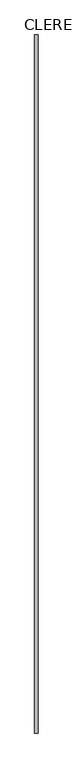
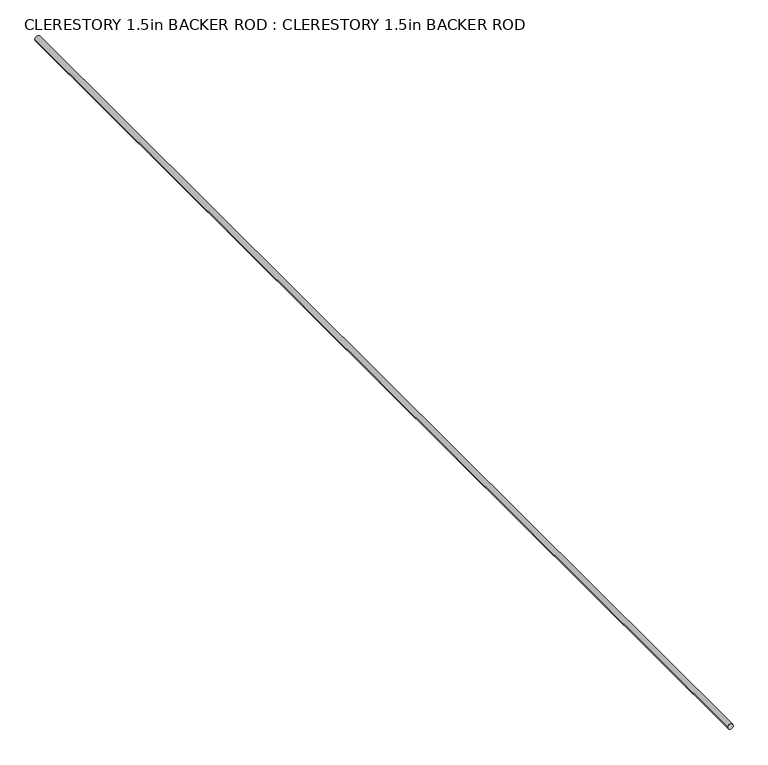
"""IFC4 building model written with IfcOpenShell, lengths in millimetres: proxy geometry, CLERESTORY 1.5in BACKER ROD : CLERESTORY 1.5in BACKER ROD."""

from ifc_helpers import new_model, si_unit, point, frame, origin, origin_2d, place, context, project, spatial, circle_curve, trimmed, segment, composite_curve, outline, extrude, source, transform, mapped, element, save


def clerestory_1_5in_backer_rod_clerestory_1_5in_backer_rod_2752b25f(model_context):
    return source(origin(), model_context, "Body", "SweptSolid", [
        extrude(outline(composite_curve([segment(trimmed(circle_curve(origin_2d(), 19.05), [point((0.0, -19.05))], [point((0.0, 19.05))], False, "CARTESIAN"), True, "CONTINUOUS"), segment(trimmed(circle_curve(origin_2d(), 19.05), [point((0.0, 19.05))], [point((0.0, -19.05))], False, "CARTESIAN"), True, "CONTINUOUS")], self_intersect=False)), frame((0.0, -4178.3, 0.0), z_axis=(0.0, 1.0, 0.0), x_axis=(0.0, 0.0, 1.0)), (0.0, 0.0, 1.0), 8356.6),
    ])


if __name__ == "__main__":
    model = new_model("IFC4")
    model_context = context("Model", 3, world=origin())
    ifc_project = project(units=[si_unit("LENGTHUNIT", "METRE", prefix="MILLI")], contexts=[model_context])
    site = spatial("IfcSite", under=ifc_project)
    building = spatial("IfcBuilding", under=site)
    placement = place(None, origin())
    clerestory_1_5in_backer_rod_clerestory_1_5in_backer_rod_shape = clerestory_1_5in_backer_rod_clerestory_1_5in_backer_rod_2752b25f(model_context)
    element("IfcBuildingElementProxy", 1, Name="CLERESTORY 1.5in BACKER ROD : CLERESTORY 1.5in BACKER ROD", ObjectType="CLERESTORY 1.5in BACKER ROD : CLERESTORY 1.5in BACKER ROD", at=placement, inside=building, context=model_context, shape_type="MappedRepresentation", body=[
        mapped(clerestory_1_5in_backer_rod_clerestory_1_5in_backer_rod_shape, transform((0.0, 0.0, 0.0), x_axis=(1.0, 0.0, 0.0), y_axis=(0.0, 1.0, 0.0), z_axis=(0.0, 0.0, 1.0))),
    ])
    save(model, "model.ifc")
